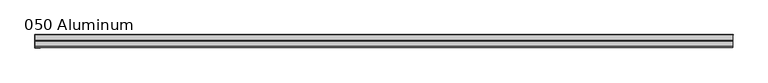
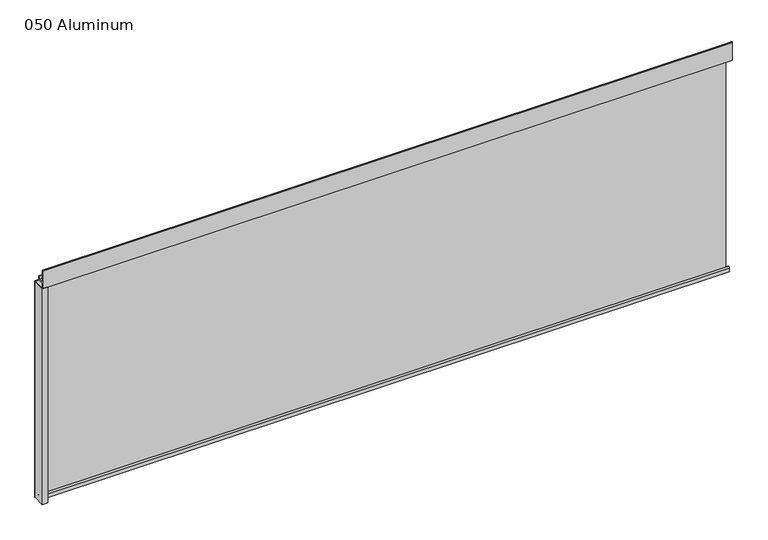
"""IFC4 building model written with IfcOpenShell, lengths in millimetres: plate geometry, 050 Aluminum."""

from ifc_helpers import new_model, si_unit, point, frame, frame_2d, origin, origin_with_axes, place, context, project, spatial, polyline, circle_curve, trimmed, segment, composite_curve, outline, extrude, source, transform, mapped, element, save


def plate_050_aluminum_19663056(model_context):
    return source(origin(), model_context, "Body", "SweptSolid", [
        extrude(outline(polyline([(-919.4800002, 2.5660257), (-906.5894996, 2.5660257), (-906.5894996, 1.2699999), (-920.7500001, 1.2699999), (-920.7500001, 34.7980001), (-919.4800002, 34.7980001), (-919.4800002, 2.5660257)])), origin_with_axes(), (0.0, 0.0, 1.0), 608.33),
        extrude(outline(composite_curve([segment(trimmed(circle_curve(frame_2d((19.8514743, 13.124237)), 3.175), [point((16.6765477, 13.1458337))], [point((23.0264743, 13.124237))], False, "CARTESIAN"), True, "CONTINUOUS"), segment(polyline([(23.0264743, 13.124237), (23.0264743, 1.2693678), (34.7980002, 1.2693678), (34.7980002, 0.0), (21.7564743, 0.0), (21.7564743, 13.124237)]), True, "CONTINUOUS"), segment(trimmed(circle_curve(frame_2d((19.8514743, 13.124237)), 1.905), [point((21.7564743, 13.124237))], [point((17.9464915, 13.1323356))], True, "CARTESIAN"), True, "CONTINUOUS"), segment(polyline([(17.9464915, 13.1323356), (17.9464915, 2.786437), (16.6765477, 2.786437), (16.6765477, 13.1458337)]), True, "CONTINUOUS")], self_intersect=False)), frame((-919.4800002, 0.0, 0.0), z_axis=(1.0, 0.0, 0.0), x_axis=(0.0, 1.0, 0.0)), (0.0, 0.0, 1.0), 1838.9600003),
        extrude(outline(composite_curve([segment(trimmed(circle_curve(frame_2d((3.7084742, 656.7932001)), 1.6509999), [point((2.0574743, 656.7932001))], [point((5.3594742, 656.7932001))], False, "CARTESIAN"), True, "CONTINUOUS"), segment(polyline([(5.3594742, 656.7932001), (5.3594742, 623.57), (19.2164743, 623.57), (19.2164743, 633.6538), (20.4864742, 633.6538), (20.4864742, 622.3), (4.0894742, 622.3), (4.0894742, 656.7932001)]), True, "CONTINUOUS"), segment(trimmed(circle_curve(frame_2d((3.7084742, 656.7932001)), 0.3809999), [point((4.0894742, 656.7932001))], [point((3.3274743, 656.7932001))], True, "CARTESIAN"), True, "CONTINUOUS"), segment(polyline([(3.3274743, 656.7932001), (3.3274743, 609.6000001), (34.7980002, 609.6000001), (34.7980002, 608.33), (2.0574743, 608.33), (2.0574743, 656.7932001)]), True, "CONTINUOUS")], self_intersect=False)), frame((-919.4800002, 0.0, 0.0), z_axis=(1.0, 0.0, 0.0), x_axis=(0.0, 1.0, 0.0)), (0.0, 0.0, 1.0), 1838.9600003),
        extrude(outline(polyline([(-920.7500002, 36.068), (920.7500002, 36.068), (920.7500002, 34.7980001), (-920.7500002, 34.7980001), (-920.7500002, 36.068)])), origin_with_axes(), (0.0, 0.0, 1.0), 609.6),
    ])


if __name__ == "__main__":
    model = new_model("IFC4")
    model_context = context("Model", 3, world=origin())
    ifc_project = project(units=[si_unit("LENGTHUNIT", "METRE", prefix="MILLI")], contexts=[model_context])
    site = spatial("IfcSite", under=ifc_project)
    building = spatial("IfcBuilding", under=site)
    placement = place(None, origin())
    plate_050_aluminum_shape = plate_050_aluminum_19663056(model_context)
    element("IfcPlate", 1, ObjectType="050 Aluminum", at=placement, inside=building, context=model_context, shape_type="MappedRepresentation", body=[
        mapped(plate_050_aluminum_shape, transform((0.0, 0.0, 0.0), x_axis=(1.0, 0.0, 0.0), y_axis=(0.0, 1.0, 0.0), z_axis=(0.0, 0.0, 1.0))),
    ])
    save(model, "model.ifc")
